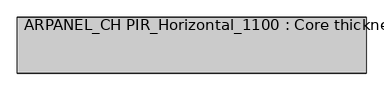
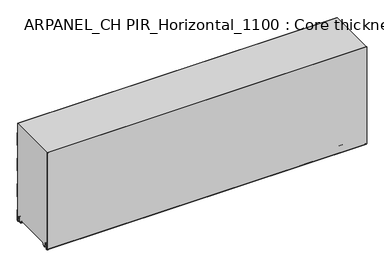
"""IFC4 building model written with IfcOpenShell, lengths in millimetres: plate geometry, ARPANEL_CH PIR_Horizontal_1100 : Core thickness - 200 mm."""

from ifc_helpers import new_model, si_unit, frame, origin, place, context, project, spatial, polyline, circle_curve, source, transform, mapped, element, save
from ifc_brep_helpers import plane_surface, cylinder_surface, revolved_surface, advanced_brep


def arpanel_ch_pir_horizontal_1100_core_thickness_200_mm_6b9cffc5(model_context):
    return source(origin(), model_context, "Body", "AdvancedBrep", [
        advanced_brep(
        [(620.0, -199.9996949, 3.0900682), (620.0, -193.81449, 2.7875612), (620.0, -192.197116, 19.2828169), (620.0, -189.1776715, 21.9898782), (620.0, -186.1582271, 19.2828169), (620.0, -184.7725998, 5.1510966), (620.0, -180.3830995, 5.365779), (620.0, -181.1830995, 5.365779), (620.0, -183.9764178, 5.2291629), (620.0, -185.3620451, 19.3608832), (620.0, -189.1776715, 22.7899182), (620.0, -192.9932979, 19.3608832), (620.0, -194.6106719, 2.8656275), (620.0, -199.1996949, 3.0900682), (620.0, -199.2, 400.0), (620.0, -199.9996949, 400.0), (-620.0, -199.1996949, 3.0900682), (-620.0, -194.6106719, 2.8656275), (-620.0, -192.9932979, 19.3608832), (-620.0, -189.1776715, 22.7899182), (-620.0, -185.3620451, 19.3608832), (-620.0, -183.9764178, 5.2291629), (-620.0, -181.1830995, 5.365779), (-620.0, -180.3830995, 5.365779), (-620.0, -184.7725998, 5.1510966), (-620.0, -186.1582271, 19.2828169), (-620.0, -189.1776715, 21.9898782), (-620.0, -192.197116, 19.2828169), (-620.0, -193.81449, 2.7875612), (-620.0, -199.9996949, 3.0900682), (-620.0, -199.9996949, 400.0), (-620.0, -199.2, 400.0)],
        [
            (0, 1, circle_curve(frame((620.0, -196.8996949, 3.0900682), z_axis=(1.0, 0.0, 0.0), x_axis=(0.0, 0.0, -1.0)), 3.1)),
            (1, 2),
            (2, 3, circle_curve(frame((620.0, -189.2114338, 18.9900682), z_axis=(-1.0, 0.0, 0.0), x_axis=(0.0, 0.0, -1.0)), 3.0)),
            (3, 4, circle_curve(frame((620.0, -189.1439093, 18.9900682), z_axis=(-1.0, 0.0, 0.0), x_axis=(0.0, 0.0, -1.0)), 3.0)),
            (4, 5),
            (5, 6, circle_curve(frame((620.0, -182.5830995, 5.365779), z_axis=(1.0, 0.0, 0.0), x_axis=(0.0, 0.0, -1.0)), 2.2)),
            (6, 7),
            (7, 8, circle_curve(frame((620.0, -182.5830995, 5.365779), z_axis=(-1.0, 0.0, 0.0), x_axis=(0.0, 0.0, -1.0)), 1.4)),
            (8, 9),
            (9, 10, circle_curve(frame((620.0, -189.1439093, 18.9900682), z_axis=(1.0, 0.0, 0.0), x_axis=(0.0, 0.0, -1.0)), 3.8)),
            (10, 11, circle_curve(frame((620.0, -189.2114338, 18.9900682), z_axis=(1.0, 0.0, 0.0), x_axis=(0.0, 0.0, -1.0)), 3.8)),
            (11, 12),
            (12, 13, circle_curve(frame((620.0, -196.8996949, 3.0900682), z_axis=(-1.0, 0.0, 0.0), x_axis=(0.0, 0.0, -1.0)), 2.3)),
            (13, 14),
            (14, 15),
            (15, 0),
            (16, 17, circle_curve(frame((-620.0, -196.8996949, 3.0900682), z_axis=(1.0, 0.0, 0.0), x_axis=(0.0, 0.0, -1.0)), 2.3)),
            (17, 18),
            (18, 19, circle_curve(frame((-620.0, -189.2114338, 18.9900682), z_axis=(-1.0, 0.0, 0.0), x_axis=(0.0, 0.0, -1.0)), 3.8)),
            (19, 20, circle_curve(frame((-620.0, -189.1439093, 18.9900682), z_axis=(-1.0, 0.0, 0.0), x_axis=(0.0, 0.0, -1.0)), 3.8)),
            (20, 21),
            (21, 22, circle_curve(frame((-620.0, -182.5830995, 5.365779), z_axis=(1.0, 0.0, 0.0), x_axis=(0.0, 0.0, -1.0)), 1.4)),
            (22, 23),
            (23, 24, circle_curve(frame((-620.0, -182.5830995, 5.365779), z_axis=(-1.0, 0.0, 0.0), x_axis=(0.0, 0.0, -1.0)), 2.2)),
            (24, 25),
            (25, 26, circle_curve(frame((-620.0, -189.1439093, 18.9900682), z_axis=(1.0, 0.0, 0.0), x_axis=(0.0, 0.0, -1.0)), 3.0)),
            (26, 27, circle_curve(frame((-620.0, -189.2114338, 18.9900682), z_axis=(1.0, 0.0, 0.0), x_axis=(0.0, 0.0, -1.0)), 3.0)),
            (27, 28),
            (28, 29, circle_curve(frame((-620.0, -196.8996949, 3.0900682), z_axis=(-1.0, 0.0, 0.0), x_axis=(0.0, 0.0, -1.0)), 3.1)),
            (29, 30),
            (30, 31),
            (31, 16),
            (13, 16),
            (31, 14),
            (29, 0),
            (15, 30),
            (12, 17),
            (11, 18),
            (10, 19),
            (9, 20),
            (8, 21),
            (7, 22),
            (6, 23),
            (5, 24),
            (4, 25),
            (3, 26),
            (2, 27),
            (1, 28),
        ],
        [
            plane_surface(frame((620.0, -200.0, 0.0), z_axis=(1.0, 0.0, 0.0), x_axis=(0.0, 1.0, 0.0))),
            plane_surface(frame((-620.0, -200.0, 0.0), z_axis=(-1.0, 0.0, 0.0), x_axis=(0.0, 1.0, 0.0))),
            plane_surface(frame((620.0, -199.2, 3.0900682), z_axis=(0.0, 1.0, 0.0), x_axis=(-1.0, 0.0, 0.0))),
            plane_surface(frame((620.0, -199.9996949, 1093.9000005), z_axis=(0.0, -1.0, 0.0), x_axis=(-1.0, 0.0, 0.0))),
            revolved_surface(polyline([(-620.0, -196.8996949, 0.7900682000000003), (620.0, -196.8996949, 0.7900682000000003)]), (620.0, -196.8996949, 3.0900682), (-1.0, 0.0, 0.0)),
            plane_surface(frame((620.0, -192.9932979, 19.3608832), z_axis=(0.0, -0.9952273999818314, 0.09758289975914787), x_axis=(-1.0, 0.0, 0.0))),
            cylinder_surface(frame((620.0, -189.2114338, 18.9900682), z_axis=(1.0, 0.0, 0.0), x_axis=(0.0, 0.0, -1.0)), 3.8),
            cylinder_surface(frame((620.0, -189.1439093, 18.9900682), z_axis=(1.0, 0.0, 0.0), x_axis=(0.0, 0.0, -1.0)), 3.8),
            plane_surface(frame((620.0, -183.9764178, 5.2291629), z_axis=(0.0, 0.9952273999818297, 0.09758289975916531), x_axis=(-1.0, 0.0, 0.0))),
            revolved_surface(polyline([(-620.0, -182.5830995, 3.965779), (620.0, -182.5830995, 3.965779)]), (620.0, -182.5830995, 5.365779), (-1.0, 0.0, 0.0)),
            plane_surface(frame((620.0, -180.3830995, 5.365779), z_axis=(0.0, 0.0, 1.0), x_axis=(-1.0, 0.0, 0.0))),
            cylinder_surface(frame((620.0, -182.5830995, 5.365779), z_axis=(1.0, 0.0, 0.0), x_axis=(0.0, 0.0, -1.0)), 2.2),
            plane_surface(frame((620.0, -186.1582271, 19.2828169), z_axis=(0.0, -0.9952273999818296, -0.09758289975916527), x_axis=(-1.0, 0.0, 0.0))),
            revolved_surface(polyline([(-620.0, -189.1439093, 15.9900682), (620.0, -189.1439093, 15.9900682)]), (620.0, -189.1439093, 18.9900682), (-1.0, 0.0, 0.0)),
            revolved_surface(polyline([(-620.0, -189.2114338, 15.9900682), (620.0, -189.2114338, 15.9900682)]), (620.0, -189.2114338, 18.9900682), (-1.0, 0.0, 0.0)),
            plane_surface(frame((620.0, -193.81449, 2.7875612), z_axis=(0.0, 0.9952273999818314, -0.09758289975914787), x_axis=(-1.0, 0.0, 0.0))),
            cylinder_surface(frame((620.0, -196.8996949, 3.0900682), z_axis=(1.0, 0.0, 0.0), x_axis=(0.0, 0.0, -1.0)), 3.1),
            plane_surface(frame((-620.0, 134.0533409, 400.0), z_axis=(0.0, 0.0, 1.0), x_axis=(1.0, 0.0, 0.0))),
        ],
        [
            (0, [[1, 2, 3, 4, 5, 6, 7, 8, 9, 10, 11, 12, 13, 14, 15, 16]]),
            (1, [[17, 18, 19, 20, 21, 22, 23, 24, 25, 26, 27, 28, 29, 30, 31, 32]]),
            (2, [[33, -32, 34, -14]]),
            (3, [[35, -16, 36, -30]]),
            (4, [[-13, 37, -17, -33]]),
            (5, [[-12, 38, -18, -37]]),
            (6, [[-11, 39, -19, -38]]),
            (7, [[-10, 40, -20, -39]]),
            (8, [[-9, 41, -21, -40]]),
            (9, [[-8, 42, -22, -41]]),
            (10, [[-7, 43, -23, -42]]),
            (11, [[-6, 44, -24, -43]]),
            (12, [[-5, 45, -25, -44]]),
            (13, [[-4, 46, -26, -45]]),
            (14, [[-3, 47, -27, -46]]),
            (15, [[-2, 48, -28, -47]]),
            (16, [[-1, -35, -29, -48]]),
            (17, [[-15, -34, -31, -36]]),
        ],
    ),
        advanced_brep(
        [(620.0, -169.873448, 15.1417681), (620.0, -30.126552, 15.1417681), (620.0, -23.4071318, 3.165779), (620.0, -17.4169005, 3.165779), (620.0, -19.6169005, 5.365779), (620.0, -18.8169005, 5.365779), (620.0, -16.0235822, 5.2291629), (620.0, -14.6379549, 19.3608832), (620.0, -10.8223285, 22.7899182), (620.0, -7.0067021, 19.3608832), (620.0, -5.3893281, 2.8656275), (620.0, -0.8003051, 3.0900682), (620.0, -0.8, 44.6827637), (620.0, -1.0986697, 45.7341795), (620.0, -1.5003051, 47.1545605), (620.0, -1.5003051, 97.3143437), (620.0, -1.0971009, 98.7337551), (620.0, -0.8, 99.7861405), (620.0, -0.8, 149.9459237), (620.0, -1.0986697, 150.9973395), (620.0, -1.5003051, 152.4177205), (620.0, -1.5003051, 202.5775037), (620.0, -1.0971009, 203.9969151), (620.0, -0.8, 205.0493005), (620.0, -0.8, 255.2090837), (620.0, -1.0986697, 256.2604995), (620.0, -1.5003051, 257.6808805), (620.0, -1.5003051, 307.8406637), (620.0, -1.0971009, 309.2600751), (620.0, -0.8, 310.3124605), (620.0, -0.8, 360.4722437), (620.0, -1.0986697, 361.5236595), (620.0, -1.5003051, 362.9440405), (620.0, -1.5003051, 400.0), (620.0, -199.2, 400.0), (620.0, -199.2, 3.0900682), (620.0, -194.6106719, 2.8656275), (620.0, -192.9932979, 19.3608832), (620.0, -189.1776715, 22.7899182), (620.0, -185.3620451, 19.3608832), (620.0, -183.9764178, 5.2291629), (620.0, -181.1830995, 5.365779), (620.0, -180.3830995, 5.365779), (620.0, -182.5830995, 3.165779), (620.0, -176.5928682, 3.165779), (-620.0, -30.126552, 15.1417681), (-620.0, -169.873448, 15.1417681), (-620.0, -176.5928682, 3.165779), (-620.0, -182.5830995, 3.165779), (-620.0, -180.3830995, 5.365779), (-620.0, -181.1830995, 5.365779), (-620.0, -183.9764178, 5.2291629), (-620.0, -185.3620451, 19.3608832), (-620.0, -189.1776715, 22.7899182), (-620.0, -192.9932979, 19.3608832), (-620.0, -194.6106719, 2.8656275), (-620.0, -199.1996949, 3.0900682), (-620.0, -199.2, 400.0), (-620.0, -1.5003051, 400.0), (-620.0, -1.5003051, 362.9440405), (-620.0, -1.0971009, 361.5246291), (-620.0, -0.8, 360.4722437), (-620.0, -0.8, 310.3124605), (-620.0, -1.0986697, 309.2610446), (-620.0, -1.5003051, 307.8406637), (-620.0, -1.5003051, 257.6808805), (-620.0, -1.0971009, 256.2614691), (-620.0, -0.8, 255.2090837), (-620.0, -0.8, 205.0493005), (-620.0, -1.0986697, 203.9978846), (-620.0, -1.5003051, 202.5775037), (-620.0, -1.5003051, 152.4177205), (-620.0, -1.0971009, 150.9983091), (-620.0, -0.8, 149.9459237), (-620.0, -0.8, 99.7861405), (-620.0, -1.0986697, 98.7347246), (-620.0, -1.5003051, 97.3143437), (-620.0, -1.5003051, 47.1545605), (-620.0, -1.0971009, 45.7351491), (-620.0, -0.8, 44.6827637), (-620.0, -0.8, 3.0900682), (-620.0, -5.3893281, 2.8656275), (-620.0, -7.0067021, 19.3608832), (-620.0, -10.8223285, 22.7899182), (-620.0, -14.6379549, 19.3608832), (-620.0, -16.0235822, 5.2291629), (-620.0, -18.8169005, 5.365779), (-620.0, -19.6169005, 5.365779), (-620.0, -17.4169005, 3.165779), (-620.0, -23.4071318, 3.165779)],
        [
            (0, 1),
            (1, 2),
            (2, 3),
            (3, 4, circle_curve(frame((620.0, -17.4169005, 5.365779), z_axis=(-1.0, 0.0, 0.0), x_axis=(0.0, 0.0, -1.0)), 2.2)),
            (4, 5),
            (5, 6, circle_curve(frame((620.0, -17.4169005, 5.365779), z_axis=(1.0, 0.0, 0.0), x_axis=(0.0, 0.0, -1.0)), 1.4)),
            (6, 7),
            (7, 8, circle_curve(frame((620.0, -10.8560907, 18.9900682), z_axis=(-1.0, 0.0, 0.0), x_axis=(0.0, 0.0, -1.0)), 3.8)),
            (8, 9, circle_curve(frame((620.0, -10.7885662, 18.9900682), z_axis=(-1.0, 0.0, 0.0), x_axis=(0.0, 0.0, -1.0)), 3.8)),
            (9, 10),
            (10, 11, circle_curve(frame((620.0, -3.1003051, 3.0900682), z_axis=(1.0, 0.0, 0.0), x_axis=(0.0, 0.0, -1.0)), 2.3)),
            (11, 12),
            (12, 13, circle_curve(frame((620.0, -2.8, 44.6827637), z_axis=(1.0, 0.0, 0.0), x_axis=(0.0, 0.0, -1.0)), 2.0)),
            (13, 14, circle_curve(frame((620.0, 1.1996949, 47.1545605), z_axis=(-1.0, 0.0, 0.0), x_axis=(0.0, 0.0, -1.0)), 2.7)),
            (14, 15),
            (15, 16, circle_curve(frame((620.0, 1.1996949, 97.3143437), z_axis=(-1.0, 0.0, 0.0), x_axis=(0.0, 0.0, -1.0)), 2.7)),
            (16, 17, circle_curve(frame((620.0, -2.8, 99.7861405), z_axis=(1.0, 0.0, 0.0), x_axis=(0.0, 0.0, -1.0)), 2.0)),
            (17, 18),
            (18, 19, circle_curve(frame((620.0, -2.8, 149.9459237), z_axis=(1.0, 0.0, 0.0), x_axis=(0.0, 0.0, -1.0)), 2.0)),
            (19, 20, circle_curve(frame((620.0, 1.1996949, 152.4177205), z_axis=(-1.0, 0.0, 0.0), x_axis=(0.0, 0.0, -1.0)), 2.7)),
            (20, 21),
            (21, 22, circle_curve(frame((620.0, 1.1996949, 202.5775037), z_axis=(-1.0, 0.0, 0.0), x_axis=(0.0, 0.0, -1.0)), 2.7)),
            (22, 23, circle_curve(frame((620.0, -2.8, 205.0493005), z_axis=(1.0, 0.0, 0.0), x_axis=(0.0, 0.0, -1.0)), 2.0)),
            (23, 24),
            (24, 25, circle_curve(frame((620.0, -2.8, 255.2090837), z_axis=(1.0, 0.0, 0.0), x_axis=(0.0, 0.0, -1.0)), 2.0)),
            (25, 26, circle_curve(frame((620.0, 1.1996949, 257.6808805), z_axis=(-1.0, 0.0, 0.0), x_axis=(0.0, 0.0, -1.0)), 2.7)),
            (26, 27),
            (27, 28, circle_curve(frame((620.0, 1.1996949, 307.8406637), z_axis=(-1.0, 0.0, 0.0), x_axis=(0.0, 0.0, -1.0)), 2.7)),
            (28, 29, circle_curve(frame((620.0, -2.8, 310.3124605), z_axis=(1.0, 0.0, 0.0), x_axis=(0.0, 0.0, -1.0)), 2.0)),
            (29, 30),
            (30, 31, circle_curve(frame((620.0, -2.8, 360.4722437), z_axis=(1.0, 0.0, 0.0), x_axis=(0.0, 0.0, -1.0)), 2.0)),
            (31, 32, circle_curve(frame((620.0, 1.1996949, 362.9440405), z_axis=(-1.0, 0.0, 0.0), x_axis=(0.0, 0.0, -1.0)), 2.7)),
            (32, 33),
            (33, 34),
            (34, 35),
            (35, 36, circle_curve(frame((620.0, -196.8996949, 3.0900682), z_axis=(1.0, 0.0, 0.0), x_axis=(0.0, 0.0, -1.0)), 2.3)),
            (36, 37),
            (37, 38, circle_curve(frame((620.0, -189.2114338, 18.9900682), z_axis=(-1.0, 0.0, 0.0), x_axis=(0.0, 0.0, -1.0)), 3.8)),
            (38, 39, circle_curve(frame((620.0, -189.1439093, 18.9900682), z_axis=(-1.0, 0.0, 0.0), x_axis=(0.0, 0.0, -1.0)), 3.8)),
            (39, 40),
            (40, 41, circle_curve(frame((620.0, -182.5830995, 5.365779), z_axis=(1.0, 0.0, 0.0), x_axis=(0.0, 0.0, -1.0)), 1.4)),
            (41, 42),
            (42, 43, circle_curve(frame((620.0, -182.5830995, 5.365779), z_axis=(-1.0, 0.0, 0.0), x_axis=(0.0, 0.0, -1.0)), 2.2)),
            (43, 44),
            (44, 0),
            (45, 46),
            (46, 47),
            (47, 48),
            (48, 49, circle_curve(frame((-620.0, -182.5830995, 5.365779), z_axis=(1.0, 0.0, 0.0), x_axis=(0.0, 0.0, -1.0)), 2.2)),
            (49, 50),
            (50, 51, circle_curve(frame((-620.0, -182.5830995, 5.365779), z_axis=(-1.0, 0.0, 0.0), x_axis=(0.0, 0.0, -1.0)), 1.4)),
            (51, 52),
            (52, 53, circle_curve(frame((-620.0, -189.1439093, 18.9900682), z_axis=(1.0, 0.0, 0.0), x_axis=(0.0, 0.0, -1.0)), 3.8)),
            (53, 54, circle_curve(frame((-620.0, -189.2114338, 18.9900682), z_axis=(1.0, 0.0, 0.0), x_axis=(0.0, 0.0, -1.0)), 3.8)),
            (54, 55),
            (55, 56, circle_curve(frame((-620.0, -196.8996949, 3.0900682), z_axis=(-1.0, 0.0, 0.0), x_axis=(0.0, 0.0, -1.0)), 2.3)),
            (56, 57),
            (57, 58),
            (58, 59),
            (59, 60, circle_curve(frame((-620.0, 1.1996949, 362.9440405), z_axis=(1.0, 0.0, 0.0), x_axis=(0.0, 0.0, -1.0)), 2.7)),
            (60, 61, circle_curve(frame((-620.0, -2.8, 360.4722437), z_axis=(-1.0, 0.0, 0.0), x_axis=(0.0, 0.0, -1.0)), 2.0)),
            (61, 62),
            (62, 63, circle_curve(frame((-620.0, -2.8, 310.3124605), z_axis=(-1.0, 0.0, 0.0), x_axis=(0.0, 0.0, -1.0)), 2.0)),
            (63, 64, circle_curve(frame((-620.0, 1.1996949, 307.8406637), z_axis=(1.0, 0.0, 0.0), x_axis=(0.0, 0.0, -1.0)), 2.7)),
            (64, 65),
            (65, 66, circle_curve(frame((-620.0, 1.1996949, 257.6808805), z_axis=(1.0, 0.0, 0.0), x_axis=(0.0, 0.0, -1.0)), 2.7)),
            (66, 67, circle_curve(frame((-620.0, -2.8, 255.2090837), z_axis=(-1.0, 0.0, 0.0), x_axis=(0.0, 0.0, -1.0)), 2.0)),
            (67, 68),
            (68, 69, circle_curve(frame((-620.0, -2.8, 205.0493005), z_axis=(-1.0, 0.0, 0.0), x_axis=(0.0, 0.0, -1.0)), 2.0)),
            (69, 70, circle_curve(frame((-620.0, 1.1996949, 202.5775037), z_axis=(1.0, 0.0, 0.0), x_axis=(0.0, 0.0, -1.0)), 2.7)),
            (70, 71),
            (71, 72, circle_curve(frame((-620.0, 1.1996949, 152.4177205), z_axis=(1.0, 0.0, 0.0), x_axis=(0.0, 0.0, -1.0)), 2.7)),
            (72, 73, circle_curve(frame((-620.0, -2.8, 149.9459237), z_axis=(-1.0, 0.0, 0.0), x_axis=(0.0, 0.0, -1.0)), 2.0)),
            (73, 74),
            (74, 75, circle_curve(frame((-620.0, -2.8, 99.7861405), z_axis=(-1.0, 0.0, 0.0), x_axis=(0.0, 0.0, -1.0)), 2.0)),
            (75, 76, circle_curve(frame((-620.0, 1.1996949, 97.3143437), z_axis=(1.0, 0.0, 0.0), x_axis=(0.0, 0.0, -1.0)), 2.7)),
            (76, 77),
            (77, 78, circle_curve(frame((-620.0, 1.1996949, 47.1545605), z_axis=(1.0, 0.0, 0.0), x_axis=(0.0, 0.0, -1.0)), 2.7)),
            (78, 79, circle_curve(frame((-620.0, -2.8, 44.6827637), z_axis=(-1.0, 0.0, 0.0), x_axis=(0.0, 0.0, -1.0)), 2.0)),
            (79, 80),
            (80, 81, circle_curve(frame((-620.0, -3.1003051, 3.0900682), z_axis=(-1.0, 0.0, 0.0), x_axis=(0.0, 0.0, -1.0)), 2.3)),
            (81, 82),
            (82, 83, circle_curve(frame((-620.0, -10.7885662, 18.9900682), z_axis=(1.0, 0.0, 0.0), x_axis=(0.0, 0.0, -1.0)), 3.8)),
            (83, 84, circle_curve(frame((-620.0, -10.8560907, 18.9900682), z_axis=(1.0, 0.0, 0.0), x_axis=(0.0, 0.0, -1.0)), 3.8)),
            (84, 85),
            (85, 86, circle_curve(frame((-620.0, -17.4169005, 5.365779), z_axis=(-1.0, 0.0, 0.0), x_axis=(0.0, 0.0, -1.0)), 1.4)),
            (86, 87),
            (87, 88, circle_curve(frame((-620.0, -17.4169005, 5.365779), z_axis=(1.0, 0.0, 0.0), x_axis=(0.0, 0.0, -1.0)), 2.2)),
            (88, 89),
            (89, 45),
            (1, 45),
            (89, 2),
            (0, 46),
            (44, 47),
            (72, 19),
            (18, 73),
            (71, 20),
            (70, 21),
            (69, 22),
            (68, 23),
            (67, 24),
            (66, 25),
            (65, 26),
            (64, 27),
            (63, 28),
            (62, 29),
            (61, 30),
            (60, 31),
            (59, 32),
            (58, 33),
            (56, 35),
            (34, 57),
            (88, 3),
            (43, 48),
            (87, 4),
            (86, 5),
            (85, 6),
            (84, 7),
            (83, 8),
            (82, 9),
            (81, 10),
            (80, 11),
            (79, 12),
            (78, 13),
            (77, 14),
            (76, 15),
            (75, 16),
            (74, 17),
            (55, 36),
            (54, 37),
            (53, 38),
            (52, 39),
            (51, 40),
            (50, 41),
            (49, 42),
        ],
        [
            plane_surface(frame((620.0, 0.0, 0.0), z_axis=(1.0, 0.0, 0.0), x_axis=(0.0, -1.0, 0.0))),
            plane_surface(frame((-620.0, 0.0, 0.0), z_axis=(-1.0, 0.0, 0.0), x_axis=(0.0, -1.0, 0.0))),
            plane_surface(frame((620.0, -30.126552, 15.1417681), z_axis=(0.0, -0.8721062992196836, -0.4893164649399687), x_axis=(-1.0, 0.0, 0.0))),
            plane_surface(frame((620.0, -169.873448, 15.1417681), z_axis=(0.0, 0.0, -1.0), x_axis=(-1.0, 0.0, 0.0))),
            plane_surface(frame((620.0, -176.8190247, 2.7627014), z_axis=(0.0, 0.8721062992196872, -0.4893164649399624), x_axis=(-1.0, 0.0, 0.0))),
            cylinder_surface(frame((750.0, -2.8, 149.9459237), z_axis=(-1.0, 0.0, 0.0), x_axis=(0.0, 0.0, -1.0)), 2.0),
            revolved_surface(polyline([(620.0, 1.1996949, 149.7177205), (-620.0, 1.1996949, 149.7177205)]), (750.0, 1.1996949, 152.4177205), (1.0, 0.0, 0.0)),
            plane_surface(frame((750.0, -1.5003051, 202.5775037), z_axis=(0.0, 1.0, 0.0), x_axis=(-1.0, 0.0, 0.0))),
            revolved_surface(polyline([(620.0, 1.1996949, 199.8775037), (-620.0, 1.1996949, 199.8775037)]), (750.0, 1.1996949, 202.5775037), (1.0, 0.0, 0.0)),
            cylinder_surface(frame((750.0, -2.8, 205.0493005), z_axis=(-1.0, 0.0, 0.0), x_axis=(0.0, 0.0, -1.0)), 2.0),
            plane_surface(frame((750.0, -0.8, 255.2090837), z_axis=(0.0, 1.0, 0.0), x_axis=(-1.0, 0.0, 0.0))),
            cylinder_surface(frame((750.0, -2.8, 255.2090837), z_axis=(-1.0, 0.0, 0.0), x_axis=(0.0, 0.0, -1.0)), 2.0),
            revolved_surface(polyline([(620.0, 1.1996949, 254.9808805), (-620.0, 1.1996949, 254.9808805)]), (750.0, 1.1996949, 257.6808805), (1.0, 0.0, 0.0)),
            plane_surface(frame((750.0, -1.5003051, 307.8406637), z_axis=(0.0, 1.0, 0.0), x_axis=(-1.0, 0.0, 0.0))),
            revolved_surface(polyline([(620.0, 1.1996949, 305.1406637), (-620.0, 1.1996949, 305.1406637)]), (750.0, 1.1996949, 307.8406637), (1.0, 0.0, 0.0)),
            cylinder_surface(frame((750.0, -2.8, 310.3124605), z_axis=(-1.0, 0.0, 0.0), x_axis=(0.0, 0.0, -1.0)), 2.0),
            plane_surface(frame((750.0, -0.8, 360.4722437), z_axis=(0.0, 1.0, 0.0), x_axis=(-1.0, 0.0, 0.0))),
            cylinder_surface(frame((750.0, -2.8, 360.4722437), z_axis=(-1.0, 0.0, 0.0), x_axis=(0.0, 0.0, -1.0)), 2.0),
            revolved_surface(polyline([(620.0, 1.1996949, 360.24404050000004), (-620.0, 1.1996949, 360.24404050000004)]), (750.0, 1.1996949, 362.9440405), (1.0, 0.0, 0.0)),
            plane_surface(frame((750.0, -1.5003051, 413.1038237), z_axis=(0.0, 1.0, 0.0), x_axis=(-1.0, 0.0, 0.0))),
            plane_surface(frame((750.0, -199.2, 3.0900682), z_axis=(0.0, -1.0, 0.0), x_axis=(-1.0, 0.0, 0.0))),
            plane_surface(frame((-620.0, -182.5830995, 3.165779), z_axis=(0.0, 0.0, -1.0), x_axis=(1.0, 0.0, 0.0))),
            revolved_surface(polyline([(620.0, -17.4169005, 3.1657789999999997), (-620.0, -17.4169005, 3.1657789999999997)]), (750.0, -17.4169005, 5.365779), (1.0, 0.0, 0.0)),
            plane_surface(frame((750.0, -18.8169005, 5.365779), z_axis=(0.0, 0.0, -1.0), x_axis=(-1.0, 0.0, 0.0))),
            cylinder_surface(frame((750.0, -17.4169005, 5.365779), z_axis=(-1.0, 0.0, 0.0), x_axis=(0.0, 0.0, -1.0)), 1.4),
            plane_surface(frame((750.0, -14.6379549, 19.3608832), z_axis=(0.0, 0.9952273999818297, -0.09758289975916531), x_axis=(-1.0, 0.0, 0.0))),
            revolved_surface(polyline([(620.0, -10.8560907, 15.190068199999999), (-620.0, -10.8560907, 15.190068199999999)]), (750.0, -10.8560907, 18.9900682), (1.0, 0.0, 0.0)),
            revolved_surface(polyline([(620.0, -10.7885662, 15.190068199999999), (-620.0, -10.7885662, 15.190068199999999)]), (750.0, -10.7885662, 18.9900682), (1.0, 0.0, 0.0)),
            plane_surface(frame((750.0, -5.3893281, 2.8656275), z_axis=(0.0, -0.9952273999818314, -0.09758289975914787), x_axis=(-1.0, 0.0, 0.0))),
            cylinder_surface(frame((750.0, -3.1003051, 3.0900682), z_axis=(-1.0, 0.0, 0.0), x_axis=(0.0, 0.0, -1.0)), 2.3),
            plane_surface(frame((750.0, -0.8, 44.6827637), z_axis=(0.0, 1.0, 0.0), x_axis=(-1.0, 0.0, 0.0))),
            cylinder_surface(frame((750.0, -2.8, 44.6827637), z_axis=(-1.0, 0.0, 0.0), x_axis=(0.0, 0.0, -1.0)), 2.0),
            revolved_surface(polyline([(620.0, 1.1996949, 44.4545605), (-620.0, 1.1996949, 44.4545605)]), (750.0, 1.1996949, 47.1545605), (1.0, 0.0, 0.0)),
            plane_surface(frame((750.0, -1.5003051, 97.3143437), z_axis=(0.0, 1.0, 0.0), x_axis=(-1.0, 0.0, 0.0))),
            revolved_surface(polyline([(620.0, 1.1996949, 94.61434369999999), (-620.0, 1.1996949, 94.61434369999999)]), (750.0, 1.1996949, 97.3143437), (1.0, 0.0, 0.0)),
            cylinder_surface(frame((750.0, -2.8, 99.7861405), z_axis=(-1.0, 0.0, 0.0), x_axis=(0.0, 0.0, -1.0)), 2.0),
            plane_surface(frame((750.0, -0.8, 149.9459237), z_axis=(0.0, 1.0, 0.0), x_axis=(-1.0, 0.0, 0.0))),
            cylinder_surface(frame((750.0, -196.8996949, 3.0900682), z_axis=(-1.0, 0.0, 0.0), x_axis=(0.0, 0.0, -1.0)), 2.3),
            plane_surface(frame((750.0, -192.9932979, 19.3608832), z_axis=(0.0, 0.9952273999818314, -0.09758289975914787), x_axis=(-1.0, 0.0, 0.0))),
            revolved_surface(polyline([(620.0, -189.2114338, 15.190068199999999), (-620.0, -189.2114338, 15.190068199999999)]), (750.0, -189.2114338, 18.9900682), (1.0, 0.0, 0.0)),
            revolved_surface(polyline([(620.0, -189.1439093, 15.190068199999999), (-620.0, -189.1439093, 15.190068199999999)]), (750.0, -189.1439093, 18.9900682), (1.0, 0.0, 0.0)),
            plane_surface(frame((750.0, -183.9764178, 5.2291629), z_axis=(0.0, -0.9952273999818297, -0.09758289975916531), x_axis=(-1.0, 0.0, 0.0))),
            cylinder_surface(frame((750.0, -182.5830995, 5.365779), z_axis=(-1.0, 0.0, 0.0), x_axis=(0.0, 0.0, -1.0)), 1.4),
            plane_surface(frame((750.0, -180.3830995, 5.365779), z_axis=(0.0, 0.0, -1.0), x_axis=(-1.0, 0.0, 0.0))),
            revolved_surface(polyline([(620.0, -182.5830995, 3.1657789999999997), (-620.0, -182.5830995, 3.1657789999999997)]), (750.0, -182.5830995, 5.365779), (1.0, 0.0, 0.0)),
            plane_surface(frame((-620.0, 134.0533409, 400.0), z_axis=(0.0, 0.0, 1.0), x_axis=(1.0, 0.0, 0.0))),
        ],
        [
            (0, [[1, 2, 3, 4, 5, 6, 7, 8, 9, 10, 11, 12, 13, 14, 15, 16, 17, 18, 19, 20, 21, 22, 23, 24, 25, 26, 27, 28, 29, 30, 31, 32, 33, 34, 35, 36, 37, 38, 39, 40, 41, 42, 43, 44, 45]]),
            (1, [[46, 47, 48, 49, 50, 51, 52, 53, 54, 55, 56, 57, 58, 59, 60, 61, 62, 63, 64, 65, 66, 67, 68, 69, 70, 71, 72, 73, 74, 75, 76, 77, 78, 79, 80, 81, 82, 83, 84, 85, 86, 87, 88, 89, 90]]),
            (2, [[91, -90, 92, -2]]),
            (3, [[-1, 93, -46, -91]]),
            (4, [[-93, -45, 94, -47]]),
            (5, [[95, -19, 96, -73]]),
            (6, [[-95, -72, 97, -20]]),
            (7, [[-97, -71, 98, -21]]),
            (8, [[-98, -70, 99, -22]]),
            (9, [[-99, -69, 100, -23]]),
            (10, [[-100, -68, 101, -24]]),
            (11, [[-101, -67, 102, -25]]),
            (12, [[-102, -66, 103, -26]]),
            (13, [[-103, -65, 104, -27]]),
            (14, [[-104, -64, 105, -28]]),
            (15, [[-105, -63, 106, -29]]),
            (16, [[-106, -62, 107, -30]]),
            (17, [[-107, -61, 108, -31]]),
            (18, [[-108, -60, 109, -32]]),
            (19, [[-109, -59, 110, -33]]),
            (20, [[111, -35, 112, -57]]),
            (21, [[-3, -92, -89, 113]]),
            (21, [[-44, 114, -48, -94]]),
            (22, [[115, -4, -113, -88]]),
            (23, [[-115, -87, 116, -5]]),
            (24, [[-116, -86, 117, -6]]),
            (25, [[-117, -85, 118, -7]]),
            (26, [[-118, -84, 119, -8]]),
            (27, [[-119, -83, 120, -9]]),
            (28, [[-120, -82, 121, -10]]),
            (29, [[-121, -81, 122, -11]]),
            (30, [[-122, -80, 123, -12]]),
            (31, [[-123, -79, 124, -13]]),
            (32, [[-124, -78, 125, -14]]),
            (33, [[-125, -77, 126, -15]]),
            (34, [[-126, -76, 127, -16]]),
            (35, [[-127, -75, 128, -17]]),
            (36, [[-128, -74, -96, -18]]),
            (37, [[-111, -56, 129, -36]]),
            (38, [[-129, -55, 130, -37]]),
            (39, [[-130, -54, 131, -38]]),
            (40, [[-131, -53, 132, -39]]),
            (41, [[-132, -52, 133, -40]]),
            (42, [[-133, -51, 134, -41]]),
            (43, [[-134, -50, 135, -42]]),
            (44, [[-135, -49, -114, -43]]),
            (45, [[-110, -58, -112, -34]]),
        ],
    ),
        advanced_brep(
        [(-620.0, -0.7003051, 362.9440405), (-620.0, -0.4016712, 361.8926826), (-620.0, -0.0003051, 360.4722437), (-620.0, -0.0003051, 310.3124605), (-620.0, -0.4034608, 308.8931274), (-620.0, -0.7003051, 307.8406637), (-620.0, -0.7003051, 257.6808805), (-620.0, -0.4016712, 256.6295226), (-620.0, -0.0003051, 255.2090837), (-620.0, -0.0003051, 205.0493005), (-620.0, -0.4034608, 203.6299674), (-620.0, -0.7003051, 202.5775037), (-620.0, -0.7003051, 152.4177205), (-620.0, -0.4016712, 151.3663626), (-620.0, -0.0003051, 149.9459237), (-620.0, -0.0003051, 99.7861405), (-620.0, -0.4034608, 98.3668074), (-620.0, -0.7003051, 97.3143437), (-620.0, -0.7003051, 47.1545605), (-620.0, -0.4016712, 46.1032026), (-620.0, -0.0003051, 44.6827637), (-620.0, -0.0003051, 3.0900682), (-620.0, -6.18551, 2.7875612), (-620.0, -7.802884, 19.2828169), (-620.0, -10.8223285, 21.9898782), (-620.0, -13.8417729, 19.2828169), (-620.0, -15.2274002, 5.1510966), (-620.0, -19.6169005, 5.365779), (-620.0, -18.8169005, 5.365779), (-620.0, -16.0235822, 5.2291629), (-620.0, -14.6379549, 19.3608832), (-620.0, -10.8223285, 22.7899182), (-620.0, -7.0067021, 19.3608832), (-620.0, -5.3893281, 2.8656275), (-620.0, -0.8003051, 3.0900682), (-620.0, -0.8, 44.6827637), (-620.0, -1.0986697, 45.7341795), (-620.0, -1.5003051, 47.1545605), (-620.0, -1.5003051, 97.3143437), (-620.0, -1.0971009, 98.7337551), (-620.0, -0.8, 99.7861405), (-620.0, -0.8, 149.9459237), (-620.0, -1.0986697, 150.9973395), (-620.0, -1.5003051, 152.4177205), (-620.0, -1.5003051, 202.5775037), (-620.0, -1.0971009, 203.9969151), (-620.0, -0.8, 205.0493005), (-620.0, -0.8, 255.2090837), (-620.0, -1.0986697, 256.2604995), (-620.0, -1.5003051, 257.6808805), (-620.0, -1.5003051, 307.8406637), (-620.0, -1.0971009, 309.2600751), (-620.0, -0.8, 310.3124605), (-620.0, -0.8, 360.4722437), (-620.0, -1.0986697, 361.5236595), (-620.0, -1.5003051, 362.9440405), (-620.0, -1.5003051, 400.0), (-620.0, -0.7003051, 400.0), (620.0, -1.5003051, 362.9440405), (620.0, -1.0971009, 361.5246291), (620.0, -0.8, 360.4722437), (620.0, -0.8, 310.3124605), (620.0, -1.0986697, 309.2610446), (620.0, -1.5003051, 307.8406637), (620.0, -1.5003051, 257.6808805), (620.0, -1.0971009, 256.2614691), (620.0, -0.8, 255.2090837), (620.0, -0.8, 205.0493005), (620.0, -1.0986697, 203.9978846), (620.0, -1.5003051, 202.5775037), (620.0, -1.5003051, 152.4177205), (620.0, -1.0971009, 150.9983091), (620.0, -0.8, 149.9459237), (620.0, -0.8, 99.7861405), (620.0, -1.0986697, 98.7347246), (620.0, -1.5003051, 97.3143437), (620.0, -1.5003051, 47.1545605), (620.0, -1.0971009, 45.7351491), (620.0, -0.8, 44.6827637), (620.0, -0.8, 3.0900682), (620.0, -5.3893281, 2.8656275), (620.0, -7.0067021, 19.3608832), (620.0, -10.8223285, 22.7899182), (620.0, -14.6379549, 19.3608832), (620.0, -16.0235822, 5.2291629), (620.0, -18.8169005, 5.365779), (620.0, -19.6169005, 5.365779), (620.0, -15.2274002, 5.1510966), (620.0, -13.8417729, 19.2828169), (620.0, -10.8223285, 21.9898782), (620.0, -7.802884, 19.2828169), (620.0, -6.18551, 2.7875612), (620.0, -0.0003051, 3.0900682), (620.0, -0.0003051, 44.6827637), (620.0, -0.4034608, 46.1020968), (620.0, -0.7003051, 47.1545605), (620.0, -0.7003051, 97.3143437), (620.0, -0.4016712, 98.3657015), (620.0, -0.0003051, 99.7861405), (620.0, -0.0003051, 149.9459237), (620.0, -0.4034608, 151.3652568), (620.0, -0.7003051, 152.4177205), (620.0, -0.7003051, 202.5775037), (620.0, -0.4016712, 203.6288615), (620.0, -0.0003051, 205.0493005), (620.0, -0.0003051, 255.2090837), (620.0, -0.4034608, 256.6284168), (620.0, -0.7003051, 257.6808805), (620.0, -0.7003051, 307.8406637), (620.0, -0.4016712, 308.8920215), (620.0, -0.0003051, 310.3124605), (620.0, -0.0003051, 360.4722437), (620.0, -0.4034608, 361.8915768), (620.0, -0.7003051, 362.9440405), (620.0, -0.7003051, 400.0), (620.0, -1.5003051, 400.0)],
        [
            (0, 1, circle_curve(frame((-620.0, 1.2996949, 362.9440405), z_axis=(1.0, 0.0, 0.0), x_axis=(0.0, 0.0, -1.0)), 2.0)),
            (1, 2, circle_curve(frame((-620.0, -2.7003051, 360.4722437), z_axis=(-1.0, 0.0, 0.0), x_axis=(0.0, 0.0, -1.0)), 2.7)),
            (2, 3),
            (3, 4, circle_curve(frame((-620.0, -2.7003051, 310.3124605), z_axis=(-1.0, 0.0, 0.0), x_axis=(0.0, 0.0, -1.0)), 2.7)),
            (4, 5, circle_curve(frame((-620.0, 1.2996949, 307.8406637), z_axis=(1.0, 0.0, 0.0), x_axis=(0.0, 0.0, -1.0)), 2.0)),
            (5, 6),
            (6, 7, circle_curve(frame((-620.0, 1.2996949, 257.6808805), z_axis=(1.0, 0.0, 0.0), x_axis=(0.0, 0.0, -1.0)), 2.0)),
            (7, 8, circle_curve(frame((-620.0, -2.7003051, 255.2090837), z_axis=(-1.0, 0.0, 0.0), x_axis=(0.0, 0.0, -1.0)), 2.7)),
            (8, 9),
            (9, 10, circle_curve(frame((-620.0, -2.7003051, 205.0493005), z_axis=(-1.0, 0.0, 0.0), x_axis=(0.0, 0.0, -1.0)), 2.7)),
            (10, 11, circle_curve(frame((-620.0, 1.2996949, 202.5775037), z_axis=(1.0, 0.0, 0.0), x_axis=(0.0, 0.0, -1.0)), 2.0)),
            (11, 12),
            (12, 13, circle_curve(frame((-620.0, 1.2996949, 152.4177205), z_axis=(1.0, 0.0, 0.0), x_axis=(0.0, 0.0, -1.0)), 2.0)),
            (13, 14, circle_curve(frame((-620.0, -2.7003051, 149.9459237), z_axis=(-1.0, 0.0, 0.0), x_axis=(0.0, 0.0, -1.0)), 2.7)),
            (14, 15),
            (15, 16, circle_curve(frame((-620.0, -2.7003051, 99.7861405), z_axis=(-1.0, 0.0, 0.0), x_axis=(0.0, 0.0, -1.0)), 2.7)),
            (16, 17, circle_curve(frame((-620.0, 1.2996949, 97.3143437), z_axis=(1.0, 0.0, 0.0), x_axis=(0.0, 0.0, -1.0)), 2.0)),
            (17, 18),
            (18, 19, circle_curve(frame((-620.0, 1.2996949, 47.1545605), z_axis=(1.0, 0.0, 0.0), x_axis=(0.0, 0.0, -1.0)), 2.0)),
            (19, 20, circle_curve(frame((-620.0, -2.7003051, 44.6827637), z_axis=(-1.0, 0.0, 0.0), x_axis=(0.0, 0.0, -1.0)), 2.7)),
            (20, 21),
            (21, 22, circle_curve(frame((-620.0, -3.1003051, 3.0900682), z_axis=(-1.0, 0.0, 0.0), x_axis=(0.0, 0.0, -1.0)), 3.1)),
            (22, 23),
            (23, 24, circle_curve(frame((-620.0, -10.7885662, 18.9900682), z_axis=(1.0, 0.0, 0.0), x_axis=(0.0, 0.0, -1.0)), 3.0)),
            (24, 25, circle_curve(frame((-620.0, -10.8560907, 18.9900682), z_axis=(1.0, 0.0, 0.0), x_axis=(0.0, 0.0, -1.0)), 3.0)),
            (25, 26),
            (26, 27, circle_curve(frame((-620.0, -17.4169005, 5.365779), z_axis=(-1.0, 0.0, 0.0), x_axis=(0.0, 0.0, -1.0)), 2.2)),
            (27, 28),
            (28, 29, circle_curve(frame((-620.0, -17.4169005, 5.365779), z_axis=(1.0, 0.0, 0.0), x_axis=(0.0, 0.0, -1.0)), 1.4)),
            (29, 30),
            (30, 31, circle_curve(frame((-620.0, -10.8560907, 18.9900682), z_axis=(-1.0, 0.0, 0.0), x_axis=(0.0, 0.0, -1.0)), 3.8)),
            (31, 32, circle_curve(frame((-620.0, -10.7885662, 18.9900682), z_axis=(-1.0, 0.0, 0.0), x_axis=(0.0, 0.0, -1.0)), 3.8)),
            (32, 33),
            (33, 34, circle_curve(frame((-620.0, -3.1003051, 3.0900682), z_axis=(1.0, 0.0, 0.0), x_axis=(0.0, 0.0, -1.0)), 2.3)),
            (34, 35),
            (35, 36, circle_curve(frame((-620.0, -2.8, 44.6827637), z_axis=(1.0, 0.0, 0.0), x_axis=(0.0, 0.0, -1.0)), 2.0)),
            (36, 37, circle_curve(frame((-620.0, 1.1996949, 47.1545605), z_axis=(-1.0, 0.0, 0.0), x_axis=(0.0, 0.0, -1.0)), 2.7)),
            (37, 38),
            (38, 39, circle_curve(frame((-620.0, 1.1996949, 97.3143437), z_axis=(-1.0, 0.0, 0.0), x_axis=(0.0, 0.0, -1.0)), 2.7)),
            (39, 40, circle_curve(frame((-620.0, -2.8, 99.7861405), z_axis=(1.0, 0.0, 0.0), x_axis=(0.0, 0.0, -1.0)), 2.0)),
            (40, 41),
            (41, 42, circle_curve(frame((-620.0, -2.8, 149.9459237), z_axis=(1.0, 0.0, 0.0), x_axis=(0.0, 0.0, -1.0)), 2.0)),
            (42, 43, circle_curve(frame((-620.0, 1.1996949, 152.4177205), z_axis=(-1.0, 0.0, 0.0), x_axis=(0.0, 0.0, -1.0)), 2.7)),
            (43, 44),
            (44, 45, circle_curve(frame((-620.0, 1.1996949, 202.5775037), z_axis=(-1.0, 0.0, 0.0), x_axis=(0.0, 0.0, -1.0)), 2.7)),
            (45, 46, circle_curve(frame((-620.0, -2.8, 205.0493005), z_axis=(1.0, 0.0, 0.0), x_axis=(0.0, 0.0, -1.0)), 2.0)),
            (46, 47),
            (47, 48, circle_curve(frame((-620.0, -2.8, 255.2090837), z_axis=(1.0, 0.0, 0.0), x_axis=(0.0, 0.0, -1.0)), 2.0)),
            (48, 49, circle_curve(frame((-620.0, 1.1996949, 257.6808805), z_axis=(-1.0, 0.0, 0.0), x_axis=(0.0, 0.0, -1.0)), 2.7)),
            (49, 50),
            (50, 51, circle_curve(frame((-620.0, 1.1996949, 307.8406637), z_axis=(-1.0, 0.0, 0.0), x_axis=(0.0, 0.0, -1.0)), 2.7)),
            (51, 52, circle_curve(frame((-620.0, -2.8, 310.3124605), z_axis=(1.0, 0.0, 0.0), x_axis=(0.0, 0.0, -1.0)), 2.0)),
            (52, 53),
            (53, 54, circle_curve(frame((-620.0, -2.8, 360.4722437), z_axis=(1.0, 0.0, 0.0), x_axis=(0.0, 0.0, -1.0)), 2.0)),
            (54, 55, circle_curve(frame((-620.0, 1.1996949, 362.9440405), z_axis=(-1.0, 0.0, 0.0), x_axis=(0.0, 0.0, -1.0)), 2.7)),
            (55, 56),
            (56, 57),
            (57, 0),
            (58, 59, circle_curve(frame((620.0, 1.1996949, 362.9440405), z_axis=(1.0, 0.0, 0.0), x_axis=(0.0, 0.0, -1.0)), 2.7)),
            (59, 60, circle_curve(frame((620.0, -2.8, 360.4722437), z_axis=(-1.0, 0.0, 0.0), x_axis=(0.0, 0.0, -1.0)), 2.0)),
            (60, 61),
            (61, 62, circle_curve(frame((620.0, -2.8, 310.3124605), z_axis=(-1.0, 0.0, 0.0), x_axis=(0.0, 0.0, -1.0)), 2.0)),
            (62, 63, circle_curve(frame((620.0, 1.1996949, 307.8406637), z_axis=(1.0, 0.0, 0.0), x_axis=(0.0, 0.0, -1.0)), 2.7)),
            (63, 64),
            (64, 65, circle_curve(frame((620.0, 1.1996949, 257.6808805), z_axis=(1.0, 0.0, 0.0), x_axis=(0.0, 0.0, -1.0)), 2.7)),
            (65, 66, circle_curve(frame((620.0, -2.8, 255.2090837), z_axis=(-1.0, 0.0, 0.0), x_axis=(0.0, 0.0, -1.0)), 2.0)),
            (66, 67),
            (67, 68, circle_curve(frame((620.0, -2.8, 205.0493005), z_axis=(-1.0, 0.0, 0.0), x_axis=(0.0, 0.0, -1.0)), 2.0)),
            (68, 69, circle_curve(frame((620.0, 1.1996949, 202.5775037), z_axis=(1.0, 0.0, 0.0), x_axis=(0.0, 0.0, -1.0)), 2.7)),
            (69, 70),
            (70, 71, circle_curve(frame((620.0, 1.1996949, 152.4177205), z_axis=(1.0, 0.0, 0.0), x_axis=(0.0, 0.0, -1.0)), 2.7)),
            (71, 72, circle_curve(frame((620.0, -2.8, 149.9459237), z_axis=(-1.0, 0.0, 0.0), x_axis=(0.0, 0.0, -1.0)), 2.0)),
            (72, 73),
            (73, 74, circle_curve(frame((620.0, -2.8, 99.7861405), z_axis=(-1.0, 0.0, 0.0), x_axis=(0.0, 0.0, -1.0)), 2.0)),
            (74, 75, circle_curve(frame((620.0, 1.1996949, 97.3143437), z_axis=(1.0, 0.0, 0.0), x_axis=(0.0, 0.0, -1.0)), 2.7)),
            (75, 76),
            (76, 77, circle_curve(frame((620.0, 1.1996949, 47.1545605), z_axis=(1.0, 0.0, 0.0), x_axis=(0.0, 0.0, -1.0)), 2.7)),
            (77, 78, circle_curve(frame((620.0, -2.8, 44.6827637), z_axis=(-1.0, 0.0, 0.0), x_axis=(0.0, 0.0, -1.0)), 2.0)),
            (78, 79),
            (79, 80, circle_curve(frame((620.0, -3.1003051, 3.0900682), z_axis=(-1.0, 0.0, 0.0), x_axis=(0.0, 0.0, -1.0)), 2.3)),
            (80, 81),
            (81, 82, circle_curve(frame((620.0, -10.7885662, 18.9900682), z_axis=(1.0, 0.0, 0.0), x_axis=(0.0, 0.0, -1.0)), 3.8)),
            (82, 83, circle_curve(frame((620.0, -10.8560907, 18.9900682), z_axis=(1.0, 0.0, 0.0), x_axis=(0.0, 0.0, -1.0)), 3.8)),
            (83, 84),
            (84, 85, circle_curve(frame((620.0, -17.4169005, 5.365779), z_axis=(-1.0, 0.0, 0.0), x_axis=(0.0, 0.0, -1.0)), 1.4)),
            (85, 86),
            (86, 87, circle_curve(frame((620.0, -17.4169005, 5.365779), z_axis=(1.0, 0.0, 0.0), x_axis=(0.0, 0.0, -1.0)), 2.2)),
            (87, 88),
            (88, 89, circle_curve(frame((620.0, -10.8560907, 18.9900682), z_axis=(-1.0, 0.0, 0.0), x_axis=(0.0, 0.0, -1.0)), 3.0)),
            (89, 90, circle_curve(frame((620.0, -10.7885662, 18.9900682), z_axis=(-1.0, 0.0, 0.0), x_axis=(0.0, 0.0, -1.0)), 3.0)),
            (90, 91),
            (91, 92, circle_curve(frame((620.0, -3.1003051, 3.0900682), z_axis=(1.0, 0.0, 0.0), x_axis=(0.0, 0.0, -1.0)), 3.1)),
            (92, 93),
            (93, 94, circle_curve(frame((620.0, -2.7003051, 44.6827637), z_axis=(1.0, 0.0, 0.0), x_axis=(0.0, 0.0, -1.0)), 2.7)),
            (94, 95, circle_curve(frame((620.0, 1.2996949, 47.1545605), z_axis=(-1.0, 0.0, 0.0), x_axis=(0.0, 0.0, -1.0)), 2.0)),
            (95, 96),
            (96, 97, circle_curve(frame((620.0, 1.2996949, 97.3143437), z_axis=(-1.0, 0.0, 0.0), x_axis=(0.0, 0.0, -1.0)), 2.0)),
            (97, 98, circle_curve(frame((620.0, -2.7003051, 99.7861405), z_axis=(1.0, 0.0, 0.0), x_axis=(0.0, 0.0, -1.0)), 2.7)),
            (98, 99),
            (99, 100, circle_curve(frame((620.0, -2.7003051, 149.9459237), z_axis=(1.0, 0.0, 0.0), x_axis=(0.0, 0.0, -1.0)), 2.7)),
            (100, 101, circle_curve(frame((620.0, 1.2996949, 152.4177205), z_axis=(-1.0, 0.0, 0.0), x_axis=(0.0, 0.0, -1.0)), 2.0)),
            (101, 102),
            (102, 103, circle_curve(frame((620.0, 1.2996949, 202.5775037), z_axis=(-1.0, 0.0, 0.0), x_axis=(0.0, 0.0, -1.0)), 2.0)),
            (103, 104, circle_curve(frame((620.0, -2.7003051, 205.0493005), z_axis=(1.0, 0.0, 0.0), x_axis=(0.0, 0.0, -1.0)), 2.7)),
            (104, 105),
            (105, 106, circle_curve(frame((620.0, -2.7003051, 255.2090837), z_axis=(1.0, 0.0, 0.0), x_axis=(0.0, 0.0, -1.0)), 2.7)),
            (106, 107, circle_curve(frame((620.0, 1.2996949, 257.6808805), z_axis=(-1.0, 0.0, 0.0), x_axis=(0.0, 0.0, -1.0)), 2.0)),
            (107, 108),
            (108, 109, circle_curve(frame((620.0, 1.2996949, 307.8406637), z_axis=(-1.0, 0.0, 0.0), x_axis=(0.0, 0.0, -1.0)), 2.0)),
            (109, 110, circle_curve(frame((620.0, -2.7003051, 310.3124605), z_axis=(1.0, 0.0, 0.0), x_axis=(0.0, 0.0, -1.0)), 2.7)),
            (110, 111),
            (111, 112, circle_curve(frame((620.0, -2.7003051, 360.4722437), z_axis=(1.0, 0.0, 0.0), x_axis=(0.0, 0.0, -1.0)), 2.7)),
            (112, 113, circle_curve(frame((620.0, 1.2996949, 362.9440405), z_axis=(-1.0, 0.0, 0.0), x_axis=(0.0, 0.0, -1.0)), 2.0)),
            (113, 114),
            (114, 115),
            (115, 58),
            (55, 58),
            (115, 56),
            (54, 59),
            (53, 60),
            (52, 61),
            (51, 62),
            (50, 63),
            (49, 64),
            (48, 65),
            (47, 66),
            (46, 67),
            (45, 68),
            (44, 69),
            (43, 70),
            (42, 71),
            (41, 72),
            (33, 80),
            (79, 34),
            (32, 81),
            (31, 82),
            (30, 83),
            (29, 84),
            (28, 85),
            (27, 86),
            (26, 87),
            (25, 88),
            (24, 89),
            (23, 90),
            (22, 91),
            (21, 92),
            (13, 100),
            (99, 14),
            (12, 101),
            (11, 102),
            (10, 103),
            (9, 104),
            (8, 105),
            (7, 106),
            (6, 107),
            (5, 108),
            (4, 109),
            (3, 110),
            (2, 111),
            (1, 112),
            (0, 113),
            (57, 114),
            (40, 73),
            (39, 74),
            (38, 75),
            (37, 76),
            (36, 77),
            (35, 78),
            (20, 93),
            (19, 94),
            (18, 95),
            (17, 96),
            (16, 97),
            (15, 98),
        ],
        [
            plane_surface(frame((-620.0, 0.0, 0.0), z_axis=(-1.0, 0.0, 0.0), x_axis=(0.0, -1.0, 0.0))),
            plane_surface(frame((620.0, 0.0, 0.0), z_axis=(1.0, 0.0, 0.0), x_axis=(0.0, -1.0, 0.0))),
            plane_surface(frame((-620.0, -1.5003051, 362.9440405), z_axis=(0.0, -1.0, 0.0), x_axis=(1.0, 0.0, 0.0))),
            cylinder_surface(frame((-620.0, 1.1996949, 362.9440405), z_axis=(-1.0, 0.0, 0.0), x_axis=(0.0, 0.0, -1.0)), 2.7),
            revolved_surface(polyline([(620.0, -2.8, 358.4722437), (-620.0, -2.8, 358.4722437)]), (-620.0, -2.8, 360.4722437), (1.0, 0.0, 0.0)),
            plane_surface(frame((-620.0, -0.8, 310.3124605), z_axis=(0.0, -1.0, 0.0), x_axis=(1.0, 0.0, 0.0))),
            revolved_surface(polyline([(620.0, -2.8, 308.3124605), (-620.0, -2.8, 308.3124605)]), (-620.0, -2.8, 310.3124605), (1.0, 0.0, 0.0)),
            cylinder_surface(frame((-620.0, 1.1996949, 307.8406637), z_axis=(-1.0, 0.0, 0.0), x_axis=(0.0, 0.0, -1.0)), 2.7),
            plane_surface(frame((-620.0, -1.5003051, 257.6808805), z_axis=(0.0, -1.0, 0.0), x_axis=(1.0, 0.0, 0.0))),
            cylinder_surface(frame((-620.0, 1.1996949, 257.6808805), z_axis=(-1.0, 0.0, 0.0), x_axis=(0.0, 0.0, -1.0)), 2.7),
            revolved_surface(polyline([(620.0, -2.8, 253.2090837), (-620.0, -2.8, 253.2090837)]), (-620.0, -2.8, 255.2090837), (1.0, 0.0, 0.0)),
            plane_surface(frame((-620.0, -0.8, 205.0493005), z_axis=(0.0, -1.0, 0.0), x_axis=(1.0, 0.0, 0.0))),
            revolved_surface(polyline([(620.0, -2.8, 203.0493005), (-620.0, -2.8, 203.0493005)]), (-620.0, -2.8, 205.0493005), (1.0, 0.0, 0.0)),
            cylinder_surface(frame((-620.0, 1.1996949, 202.5775037), z_axis=(-1.0, 0.0, 0.0), x_axis=(0.0, 0.0, -1.0)), 2.7),
            plane_surface(frame((-620.0, -1.5003051, 152.4177205), z_axis=(0.0, -1.0, 0.0), x_axis=(1.0, 0.0, 0.0))),
            cylinder_surface(frame((-620.0, 1.1996949, 152.4177205), z_axis=(-1.0, 0.0, 0.0), x_axis=(0.0, 0.0, -1.0)), 2.7),
            revolved_surface(polyline([(620.0, -2.8, 147.9459237), (-620.0, -2.8, 147.9459237)]), (-620.0, -2.8, 149.9459237), (1.0, 0.0, 0.0)),
            revolved_surface(polyline([(620.0, -3.1003051, 0.7900682000000003), (-620.0, -3.1003051, 0.7900682000000003)]), (-620.0, -3.1003051, 3.0900682), (1.0, 0.0, 0.0)),
            plane_surface(frame((-620.0, -7.0067021, 19.3608832), z_axis=(0.0, 0.9952273999818314, 0.09758289975914787), x_axis=(1.0, 0.0, 0.0))),
            cylinder_surface(frame((-620.0, -10.7885662, 18.9900682), z_axis=(-1.0, 0.0, 0.0), x_axis=(0.0, 0.0, -1.0)), 3.8),
            cylinder_surface(frame((-620.0, -10.8560907, 18.9900682), z_axis=(-1.0, 0.0, 0.0), x_axis=(0.0, 0.0, -1.0)), 3.8),
            plane_surface(frame((-620.0, -16.0235822, 5.2291629), z_axis=(0.0, -0.9952273999818297, 0.09758289975916531), x_axis=(1.0, 0.0, 0.0))),
            revolved_surface(polyline([(620.0, -17.4169005, 3.965779), (-620.0, -17.4169005, 3.965779)]), (-620.0, -17.4169005, 5.365779), (1.0, 0.0, 0.0)),
            plane_surface(frame((-620.0, -19.6169005, 5.365779), z_axis=(0.0, 0.0, 1.0), x_axis=(1.0, 0.0, 0.0))),
            cylinder_surface(frame((-620.0, -17.4169005, 5.365779), z_axis=(-1.0, 0.0, 0.0), x_axis=(0.0, 0.0, -1.0)), 2.2),
            plane_surface(frame((-620.0, -13.8417729, 19.2828169), z_axis=(0.0, 0.9952273999818296, -0.09758289975916527), x_axis=(1.0, 0.0, 0.0))),
            revolved_surface(polyline([(620.0, -10.8560907, 15.9900682), (-620.0, -10.8560907, 15.9900682)]), (-620.0, -10.8560907, 18.9900682), (1.0, 0.0, 0.0)),
            revolved_surface(polyline([(620.0, -10.7885662, 15.9900682), (-620.0, -10.7885662, 15.9900682)]), (-620.0, -10.7885662, 18.9900682), (1.0, 0.0, 0.0)),
            plane_surface(frame((-620.0, -6.18551, 2.7875612), z_axis=(0.0, -0.9952273999818314, -0.09758289975914787), x_axis=(1.0, 0.0, 0.0))),
            cylinder_surface(frame((-620.0, -3.1003051, 3.0900682), z_axis=(-1.0, 0.0, 0.0), x_axis=(0.0, 0.0, -1.0)), 3.1),
            cylinder_surface(frame((-620.0, -2.7003051, 149.9459237), z_axis=(-1.0, 0.0, 0.0), x_axis=(0.0, 0.0, -1.0)), 2.7),
            revolved_surface(polyline([(620.0, 1.2996949, 150.4177205), (-620.0, 1.2996949, 150.4177205)]), (-620.0, 1.2996949, 152.4177205), (1.0, 0.0, 0.0)),
            plane_surface(frame((-620.0, -0.7003051, 202.5775037), z_axis=(0.0, 1.0, 0.0), x_axis=(1.0, 0.0, 0.0))),
            revolved_surface(polyline([(620.0, 1.2996949, 200.5775037), (-620.0, 1.2996949, 200.5775037)]), (-620.0, 1.2996949, 202.5775037), (1.0, 0.0, 0.0)),
            cylinder_surface(frame((-620.0, -2.7003051, 205.0493005), z_axis=(-1.0, 0.0, 0.0), x_axis=(0.0, 0.0, -1.0)), 2.7),
            plane_surface(frame((-620.0, -0.0003051, 255.2090837), z_axis=(0.0, 1.0, 0.0), x_axis=(1.0, 0.0, 0.0))),
            cylinder_surface(frame((-620.0, -2.7003051, 255.2090837), z_axis=(-1.0, 0.0, 0.0), x_axis=(0.0, 0.0, -1.0)), 2.7),
            revolved_surface(polyline([(620.0, 1.2996949, 255.6808805), (-620.0, 1.2996949, 255.6808805)]), (-620.0, 1.2996949, 257.6808805), (1.0, 0.0, 0.0)),
            plane_surface(frame((-620.0, -0.7003051, 307.8406637), z_axis=(0.0, 1.0, 0.0), x_axis=(1.0, 0.0, 0.0))),
            revolved_surface(polyline([(620.0, 1.2996949, 305.8406637), (-620.0, 1.2996949, 305.8406637)]), (-620.0, 1.2996949, 307.8406637), (1.0, 0.0, 0.0)),
            cylinder_surface(frame((-620.0, -2.7003051, 310.3124605), z_axis=(-1.0, 0.0, 0.0), x_axis=(0.0, 0.0, -1.0)), 2.7),
            plane_surface(frame((-620.0, -0.0003051, 360.4722437), z_axis=(0.0, 1.0, 0.0), x_axis=(1.0, 0.0, 0.0))),
            cylinder_surface(frame((-620.0, -2.7003051, 360.4722437), z_axis=(-1.0, 0.0, 0.0), x_axis=(0.0, 0.0, -1.0)), 2.7),
            revolved_surface(polyline([(620.0, 1.2996949, 360.9440405), (-620.0, 1.2996949, 360.9440405)]), (-620.0, 1.2996949, 362.9440405), (1.0, 0.0, 0.0)),
            plane_surface(frame((-620.0, -0.7003051, 413.1038237), z_axis=(0.0, 1.0, 0.0), x_axis=(1.0, 0.0, 0.0))),
            plane_surface(frame((-620.0, -0.8, 99.7861405), z_axis=(0.0, -1.0, 0.0), x_axis=(1.0, 0.0, 0.0))),
            revolved_surface(polyline([(620.0, -2.8, 97.7861405), (-620.0, -2.8, 97.7861405)]), (-620.0, -2.8, 99.7861405), (1.0, 0.0, 0.0)),
            cylinder_surface(frame((-620.0, 1.1996949, 97.3143437), z_axis=(-1.0, 0.0, 0.0), x_axis=(0.0, 0.0, -1.0)), 2.7),
            plane_surface(frame((-620.0, -1.5003051, 47.1545605), z_axis=(0.0, -1.0, 0.0), x_axis=(1.0, 0.0, 0.0))),
            cylinder_surface(frame((-620.0, 1.1996949, 47.1545605), z_axis=(-1.0, 0.0, 0.0), x_axis=(0.0, 0.0, -1.0)), 2.7),
            revolved_surface(polyline([(620.0, -2.8, 42.6827637), (-620.0, -2.8, 42.6827637)]), (-620.0, -2.8, 44.6827637), (1.0, 0.0, 0.0)),
            plane_surface(frame((-620.0, -0.8, 3.0900682), z_axis=(0.0, -1.0, 0.0), x_axis=(1.0, 0.0, 0.0))),
            plane_surface(frame((-620.0, -0.0003051, 44.6827637), z_axis=(0.0, 1.0, 0.0), x_axis=(1.0, 0.0, 0.0))),
            cylinder_surface(frame((-620.0, -2.7003051, 44.6827637), z_axis=(-1.0, 0.0, 0.0), x_axis=(0.0, 0.0, -1.0)), 2.7),
            revolved_surface(polyline([(620.0, 1.2996949, 45.1545605), (-620.0, 1.2996949, 45.1545605)]), (-620.0, 1.2996949, 47.1545605), (1.0, 0.0, 0.0)),
            plane_surface(frame((-620.0, -0.7003051, 97.3143437), z_axis=(0.0, 1.0, 0.0), x_axis=(1.0, 0.0, 0.0))),
            revolved_surface(polyline([(620.0, 1.2996949, 95.3143437), (-620.0, 1.2996949, 95.3143437)]), (-620.0, 1.2996949, 97.3143437), (1.0, 0.0, 0.0)),
            cylinder_surface(frame((-620.0, -2.7003051, 99.7861405), z_axis=(-1.0, 0.0, 0.0), x_axis=(0.0, 0.0, -1.0)), 2.7),
            plane_surface(frame((-620.0, -0.0003051, 149.9459237), z_axis=(0.0, 1.0, 0.0), x_axis=(1.0, 0.0, 0.0))),
            plane_surface(frame((-620.0, 134.0533409, 400.0), z_axis=(0.0, 0.0, 1.0), x_axis=(1.0, 0.0, 0.0))),
        ],
        [
            (0, [[1, 2, 3, 4, 5, 6, 7, 8, 9, 10, 11, 12, 13, 14, 15, 16, 17, 18, 19, 20, 21, 22, 23, 24, 25, 26, 27, 28, 29, 30, 31, 32, 33, 34, 35, 36, 37, 38, 39, 40, 41, 42, 43, 44, 45, 46, 47, 48, 49, 50, 51, 52, 53, 54, 55, 56, 57, 58]]),
            (1, [[59, 60, 61, 62, 63, 64, 65, 66, 67, 68, 69, 70, 71, 72, 73, 74, 75, 76, 77, 78, 79, 80, 81, 82, 83, 84, 85, 86, 87, 88, 89, 90, 91, 92, 93, 94, 95, 96, 97, 98, 99, 100, 101, 102, 103, 104, 105, 106, 107, 108, 109, 110, 111, 112, 113, 114, 115, 116]]),
            (2, [[117, -116, 118, -56]]),
            (3, [[-55, 119, -59, -117]]),
            (4, [[-54, 120, -60, -119]]),
            (5, [[-53, 121, -61, -120]]),
            (6, [[-52, 122, -62, -121]]),
            (7, [[-51, 123, -63, -122]]),
            (8, [[-50, 124, -64, -123]]),
            (9, [[-49, 125, -65, -124]]),
            (10, [[-48, 126, -66, -125]]),
            (11, [[-47, 127, -67, -126]]),
            (12, [[-46, 128, -68, -127]]),
            (13, [[-45, 129, -69, -128]]),
            (14, [[-44, 130, -70, -129]]),
            (15, [[-43, 131, -71, -130]]),
            (16, [[-42, 132, -72, -131]]),
            (17, [[-34, 133, -80, 134]]),
            (18, [[-33, 135, -81, -133]]),
            (19, [[-32, 136, -82, -135]]),
            (20, [[-31, 137, -83, -136]]),
            (21, [[-30, 138, -84, -137]]),
            (22, [[-29, 139, -85, -138]]),
            (23, [[-28, 140, -86, -139]]),
            (24, [[-27, 141, -87, -140]]),
            (25, [[-26, 142, -88, -141]]),
            (26, [[-25, 143, -89, -142]]),
            (27, [[-24, 144, -90, -143]]),
            (28, [[-23, 145, -91, -144]]),
            (29, [[-22, 146, -92, -145]]),
            (30, [[-14, 147, -100, 148]]),
            (31, [[-13, 149, -101, -147]]),
            (32, [[-12, 150, -102, -149]]),
            (33, [[-11, 151, -103, -150]]),
            (34, [[-10, 152, -104, -151]]),
            (35, [[-9, 153, -105, -152]]),
            (36, [[-8, 154, -106, -153]]),
            (37, [[-7, 155, -107, -154]]),
            (38, [[-6, 156, -108, -155]]),
            (39, [[-5, 157, -109, -156]]),
            (40, [[-4, 158, -110, -157]]),
            (41, [[-3, 159, -111, -158]]),
            (42, [[-2, 160, -112, -159]]),
            (43, [[-1, 161, -113, -160]]),
            (44, [[-161, -58, 162, -114]]),
            (45, [[-41, 163, -73, -132]]),
            (46, [[-40, 164, -74, -163]]),
            (47, [[-39, 165, -75, -164]]),
            (48, [[-38, 166, -76, -165]]),
            (49, [[-37, 167, -77, -166]]),
            (50, [[-36, 168, -78, -167]]),
            (51, [[-35, -134, -79, -168]]),
            (52, [[-21, 169, -93, -146]]),
            (53, [[-20, 170, -94, -169]]),
            (54, [[-19, 171, -95, -170]]),
            (55, [[-18, 172, -96, -171]]),
            (56, [[-17, 173, -97, -172]]),
            (57, [[-16, 174, -98, -173]]),
            (58, [[-15, -148, -99, -174]]),
            (59, [[-57, -118, -115, -162]]),
        ],
    ),
    ])


if __name__ == "__main__":
    model = new_model("IFC4")
    model_context = context("Model", 3, world=origin())
    ifc_project = project(units=[si_unit("LENGTHUNIT", "METRE", prefix="MILLI")], contexts=[model_context])
    site = spatial("IfcSite", under=ifc_project)
    building = spatial("IfcBuilding", under=site)
    placement = place(None, origin())
    arpanel_ch_pir_horizontal_1100_core_thickness_200_mm_shape = arpanel_ch_pir_horizontal_1100_core_thickness_200_mm_6b9cffc5(model_context)
    element("IfcPlate", 1, ObjectType="ARPANEL_CH PIR_Horizontal_1100 : Core thickness - 200 mm", at=placement, inside=building, context=model_context, shape_type="MappedRepresentation", body=[
        mapped(arpanel_ch_pir_horizontal_1100_core_thickness_200_mm_shape, transform((0.0, 0.0, 0.0), x_axis=(1.0, 0.0, 0.0), y_axis=(0.0, 1.0, 0.0), z_axis=(0.0, 0.0, 1.0))),
    ])
    save(model, "model.ifc")
